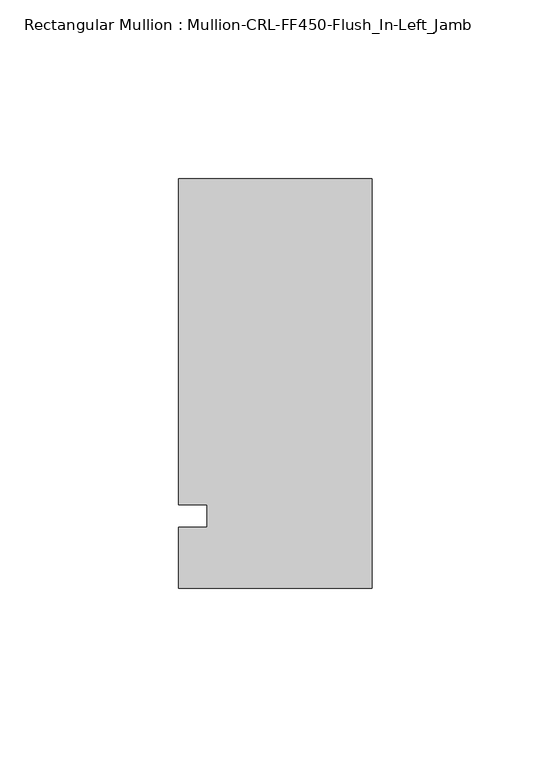
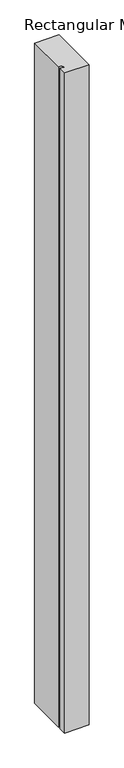
"""IFC4 building model written with IfcOpenShell, lengths in millimetres: member geometry, Rectangular Mullion : Mullion-CRL-FF450-Flush_In-Left_Jamb."""

from ifc_helpers import new_model, si_unit, frame, origin, place, context, project, spatial, polyline, outline, extrude, source, transform, mapped, element, save


def rectangular_mullion_mullion_crl_ff450_flush_in_left_jamb_f25b8424(model_context):
    return source(origin(), model_context, "Body", "SweptSolid", [
        extrude(outline(polyline([(-53.9750401, 94.1780025), (0.0, 94.1780025), (0.0, -20.1219975), (-53.9750401, -20.1219975), (-53.9750401, -3.1555912), (-46.0375401, -3.1555912), (-46.0375401, 3.1944088), (-53.9750401, 3.1944088), (-53.9750401, 94.1780025)])), frame((0.0, 0.0, -1538.2875), z_axis=(0.0, 0.0, 1.0), x_axis=(1.0, 0.0, 0.0)), (0.0, 0.0, 1.0), 1538.2875),
    ])


if __name__ == "__main__":
    model = new_model("IFC4")
    model_context = context("Model", 3, world=origin())
    ifc_project = project(units=[si_unit("LENGTHUNIT", "METRE", prefix="MILLI")], contexts=[model_context])
    site = spatial("IfcSite", under=ifc_project)
    building = spatial("IfcBuilding", under=site)
    placement = place(None, origin())
    rectangular_mullion_mullion_crl_ff450_flush_in_left_jamb_shape = rectangular_mullion_mullion_crl_ff450_flush_in_left_jamb_f25b8424(model_context)
    element("IfcMember", 1, ObjectType="Rectangular Mullion : Mullion-CRL-FF450-Flush_In-Left_Jamb", at=placement, inside=building, context=model_context, shape_type="MappedRepresentation", body=[
        mapped(rectangular_mullion_mullion_crl_ff450_flush_in_left_jamb_shape, transform((0.0, 0.0, 0.0), x_axis=(1.0, 0.0, 0.0), y_axis=(0.0, 1.0, 0.0), z_axis=(0.0, 0.0, 1.0))),
    ])
    save(model, "model.ifc")
